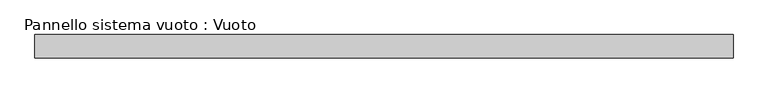
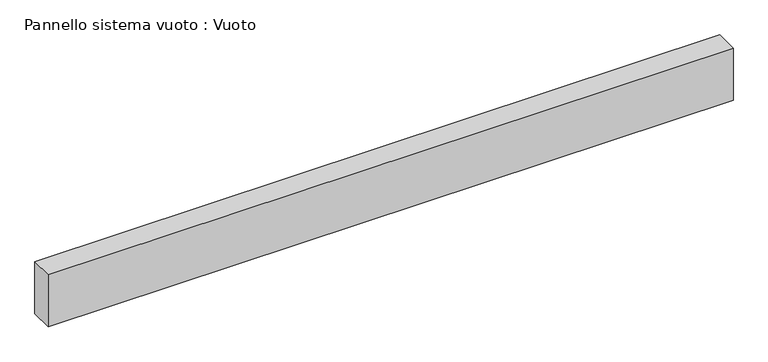
"""IFC4 building model written with IfcOpenShell, lengths in millimetres: plate geometry, Pannello sistema vuoto : Vuoto."""

from ifc_helpers import new_model, si_unit, origin, origin_with_axes, place, context, project, spatial, polyline, outline, extrude, source, transform, mapped, element, save


def pannello_sistema_vuoto_vuoto_194c9043(model_context):
    return source(origin(), model_context, "Body", "SweptSolid", [
        extrude(outline(polyline([(1500.0, -50.0), (-1500.0, -50.0), (-1500.0, 50.0), (1500.0, 50.0), (1500.0, -50.0)])), origin_with_axes(), (0.0, 0.0, 1.0), 241.075),
    ])


if __name__ == "__main__":
    model = new_model("IFC4")
    model_context = context("Model", 3, world=origin())
    ifc_project = project(units=[si_unit("LENGTHUNIT", "METRE", prefix="MILLI")], contexts=[model_context])
    site = spatial("IfcSite", under=ifc_project)
    building = spatial("IfcBuilding", under=site)
    placement = place(None, origin())
    pannello_sistema_vuoto_vuoto_shape = pannello_sistema_vuoto_vuoto_194c9043(model_context)
    element("IfcPlate", 1, ObjectType="Pannello sistema vuoto : Vuoto", at=placement, inside=building, context=model_context, shape_type="MappedRepresentation", body=[
        mapped(pannello_sistema_vuoto_vuoto_shape, transform((0.0, 0.0, 0.0), x_axis=(1.0, 0.0, 0.0), y_axis=(0.0, 1.0, 0.0), z_axis=(0.0, 0.0, 1.0))),
    ])
    save(model, "model.ifc")
